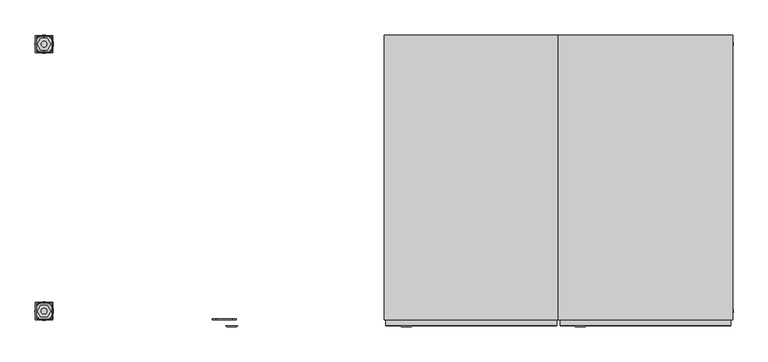
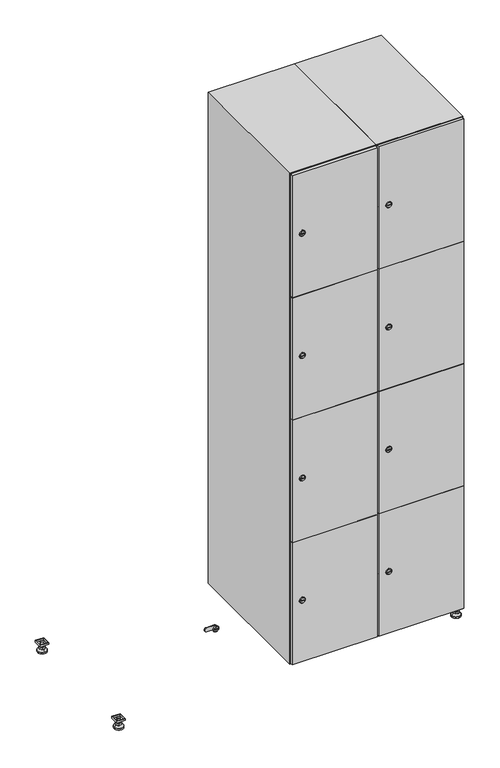
"""IFC4 building model written with IfcOpenShell, lengths in millimetres: furniture geometry."""

from ifc_helpers import new_model, si_unit, point, frame, frame_2d, origin, origin_with_axes, place, context, project, spatial, polyline, circle_curve, trimmed, segment, composite_curve, outline, extrude, faceted_brep, source, transform, mapped, element, save
from ifc_brep_helpers import plane_surface, revolved_surface, advanced_brep


def furniture_5d70b551(model_context):
    return source(origin(), model_context, "Body", "SolidModel", [
        extrude(outline(polyline([(1000.0, 245.0), (1000.0, 215.0), (970.0, 215.0), (970.0, 245.0), (1000.0, 245.0)]), holes=[polyline([(998.0, 243.0), (972.0, 243.0), (972.0, 217.0), (998.0, 217.0), (998.0, 243.0)])]), frame((0.0, 0.0, 28.5), z_axis=(0.0, 0.0, 1.0), x_axis=(1.0, 0.0, 0.0)), (0.0, 0.0, 1.0), 6.5),
        extrude(outline(polyline([(970.0, -245.0), (970.0, -215.0), (1000.0, -215.0), (1000.0, -245.0), (970.0, -245.0)]), holes=[polyline([(972.0, -243.0), (998.0, -243.0), (998.0, -217.0), (972.0, -217.0), (972.0, -243.0)])]), frame((0.0, 0.0, 28.5), z_axis=(0.0, 0.0, 1.0), x_axis=(1.0, 0.0, 0.0)), (0.0, 0.0, 1.0), 6.5),
        extrude(outline(polyline([(-170.0, 245.0), (-170.0, 215.0), (-200.0, 215.0), (-200.0, 245.0), (-170.0, 245.0)]), holes=[polyline([(-172.0, 243.0), (-198.0, 243.0), (-198.0, 217.0), (-172.0, 217.0), (-172.0, 243.0)])]), frame((0.0, 0.0, 28.5), z_axis=(0.0, 0.0, 1.0), x_axis=(1.0, 0.0, 0.0)), (0.0, 0.0, 1.0), 6.5),
        extrude(outline(polyline([(-170.0, -215.0), (-170.0, -245.0), (-200.0, -245.0), (-200.0, -215.0), (-170.0, -215.0)]), holes=[polyline([(-198.0, -243.0), (-172.0, -243.0), (-172.0, -217.0), (-198.0, -217.0), (-198.0, -243.0)])]), frame((0.0, 0.0, 28.5), z_axis=(0.0, 0.0, 1.0), x_axis=(1.0, 0.0, 0.0)), (0.0, 0.0, 1.0), 6.5),
        extrude(outline(composite_curve([segment(trimmed(circle_curve(frame_2d((-185.0, 230.0)), 5.0), [point((-180.0, 230.0))], [point((-190.0, 230.0))], False, "CARTESIAN"), True, "CONTINUOUS"), segment(trimmed(circle_curve(frame_2d((-185.0, 230.0)), 5.0), [point((-190.0, 230.0))], [point((-180.0, 230.0))], False, "CARTESIAN"), True, "CONTINUOUS")], self_intersect=False)), frame((0.0, 0.0, 19.6), z_axis=(0.0, 0.0, 1.0), x_axis=(1.0, 0.0, 0.0)), (0.0, 0.0, 1.0), 15.4),
        extrude(outline(composite_curve([segment(trimmed(circle_curve(frame_2d((-185.0, -230.0)), 5.0), [point((-180.0, -230.0))], [point((-190.0, -230.0))], False, "CARTESIAN"), True, "CONTINUOUS"), segment(trimmed(circle_curve(frame_2d((-185.0, -230.0)), 5.0), [point((-190.0, -230.0))], [point((-180.0, -230.0))], False, "CARTESIAN"), True, "CONTINUOUS")], self_intersect=False)), frame((0.0, 0.0, 19.6), z_axis=(0.0, 0.0, 1.0), x_axis=(1.0, 0.0, 0.0)), (0.0, 0.0, 1.0), 15.4),
        extrude(outline(composite_curve([segment(trimmed(circle_curve(frame_2d((985.0, 230.0)), 5.0), [point((990.0, 230.0))], [point((980.0, 230.0))], False, "CARTESIAN"), True, "CONTINUOUS"), segment(trimmed(circle_curve(frame_2d((985.0, 230.0)), 5.0), [point((980.0, 230.0))], [point((990.0, 230.0))], False, "CARTESIAN"), True, "CONTINUOUS")], self_intersect=False)), frame((0.0, 0.0, 19.6), z_axis=(0.0, 0.0, 1.0), x_axis=(1.0, 0.0, 0.0)), (0.0, 0.0, 1.0), 15.4),
        extrude(outline(polyline([(973.4529946, 230.0), (979.2264973, 240.0), (990.7735027, 240.0), (996.5470054, 230.0), (990.7735027, 220.0), (979.2264973, 220.0), (973.4529946, 230.0)])), frame((0.0, 0.0, 13.6), z_axis=(0.0, 0.0, 1.0), x_axis=(1.0, 0.0, 0.0)), (0.0, 0.0, 1.0), 6.0),
        extrude(outline(composite_curve([segment(trimmed(circle_curve(frame_2d((985.0, -230.0)), 5.0), [point((990.0, -230.0))], [point((980.0, -230.0))], False, "CARTESIAN"), True, "CONTINUOUS"), segment(trimmed(circle_curve(frame_2d((985.0, -230.0)), 5.0), [point((980.0, -230.0))], [point((990.0, -230.0))], False, "CARTESIAN"), True, "CONTINUOUS")], self_intersect=False)), frame((0.0, 0.0, 19.6), z_axis=(0.0, 0.0, 1.0), x_axis=(1.0, 0.0, 0.0)), (0.0, 0.0, 1.0), 15.4),
        extrude(outline(polyline([(973.4529946, -230.0), (979.2264973, -220.0), (990.7735027, -220.0), (996.5470054, -230.0), (990.7735027, -240.0), (979.2264973, -240.0), (973.4529946, -230.0)])), frame((0.0, 0.0, 13.6), z_axis=(0.0, 0.0, 1.0), x_axis=(1.0, 0.0, 0.0)), (0.0, 0.0, 1.0), 6.0),
        extrude(outline(composite_curve([segment(trimmed(circle_curve(frame_2d((985.0, 230.0)), 5.0), [point((990.0, 230.0))], [point((980.0, 230.0))], False, "CARTESIAN"), True, "CONTINUOUS"), segment(trimmed(circle_curve(frame_2d((985.0, 230.0)), 5.0), [point((980.0, 230.0))], [point((990.0, 230.0))], False, "CARTESIAN"), True, "CONTINUOUS")], self_intersect=False)), frame((0.0, 0.0, 12.1), z_axis=(0.0, 0.0, 1.0), x_axis=(1.0, 0.0, 0.0)), (0.0, 0.0, 1.0), 1.5),
        extrude(outline(composite_curve([segment(trimmed(circle_curve(frame_2d((985.0, -230.0)), 5.0), [point((990.0, -230.0))], [point((980.0, -230.0))], False, "CARTESIAN"), True, "CONTINUOUS"), segment(trimmed(circle_curve(frame_2d((985.0, -230.0)), 5.0), [point((980.0, -230.0))], [point((990.0, -230.0))], False, "CARTESIAN"), True, "CONTINUOUS")], self_intersect=False)), frame((0.0, 0.0, 12.1), z_axis=(0.0, 0.0, 1.0), x_axis=(1.0, 0.0, 0.0)), (0.0, 0.0, 1.0), 1.5),
        extrude(outline(polyline([(-196.5470054, 230.0), (-190.7735027, 240.0), (-179.2264973, 240.0), (-173.4529946, 230.0), (-179.2264973, 220.0), (-190.7735027, 220.0), (-196.5470054, 230.0)])), frame((0.0, 0.0, 13.6), z_axis=(0.0, 0.0, 1.0), x_axis=(1.0, 0.0, 0.0)), (0.0, 0.0, 1.0), 6.0),
        extrude(outline(polyline([(-196.5470054, -230.0), (-190.7735027, -220.0), (-179.2264973, -220.0), (-173.4529946, -230.0), (-179.2264973, -240.0), (-190.7735027, -240.0), (-196.5470054, -230.0)])), frame((0.0, 0.0, 13.6), z_axis=(0.0, 0.0, 1.0), x_axis=(1.0, 0.0, 0.0)), (0.0, 0.0, 1.0), 6.0),
        extrude(outline(composite_curve([segment(trimmed(circle_curve(frame_2d((-185.0, 230.0)), 5.0), [point((-185.0, 235.0))], [point((-185.0, 225.0))], False, "CARTESIAN"), True, "CONTINUOUS"), segment(trimmed(circle_curve(frame_2d((-185.0, 230.0)), 5.0), [point((-185.0, 225.0))], [point((-185.0, 235.0))], False, "CARTESIAN"), True, "CONTINUOUS")], self_intersect=False)), frame((0.0, 0.0, 12.1), z_axis=(0.0, 0.0, 1.0), x_axis=(1.0, 0.0, 0.0)), (0.0, 0.0, 1.0), 1.5),
        extrude(outline(composite_curve([segment(trimmed(circle_curve(frame_2d((-185.0, -230.0)), 5.0), [point((-180.0, -230.0))], [point((-190.0, -230.0))], False, "CARTESIAN"), True, "CONTINUOUS"), segment(trimmed(circle_curve(frame_2d((-185.0, -230.0)), 5.0), [point((-190.0, -230.0))], [point((-180.0, -230.0))], False, "CARTESIAN"), True, "CONTINUOUS")], self_intersect=False)), frame((0.0, 0.0, 12.1), z_axis=(0.0, 0.0, 1.0), x_axis=(1.0, 0.0, 0.0)), (0.0, 0.0, 1.0), 1.5),
        extrude(outline(composite_curve([segment(trimmed(circle_curve(frame_2d((985.0, 230.0)), 15.75), [point((1000.75, 230.0))], [point((969.25, 230.0))], False, "CARTESIAN"), True, "CONTINUOUS"), segment(trimmed(circle_curve(frame_2d((985.0, 230.0)), 15.75), [point((969.25, 230.0))], [point((1000.75, 230.0))], False, "CARTESIAN"), True, "CONTINUOUS")], self_intersect=False)), origin_with_axes(), (0.0, 0.0, 1.0), 5.1),
        extrude(outline(composite_curve([segment(trimmed(circle_curve(frame_2d((985.0, -230.0)), 15.75), [point((985.0, -214.25))], [point((985.0, -245.75))], False, "CARTESIAN"), True, "CONTINUOUS"), segment(trimmed(circle_curve(frame_2d((985.0, -230.0)), 15.75), [point((985.0, -245.75))], [point((985.0, -214.25))], False, "CARTESIAN"), True, "CONTINUOUS")], self_intersect=False)), origin_with_axes(), (0.0, 0.0, 1.0), 5.1),
        extrude(outline(composite_curve([segment(trimmed(circle_curve(frame_2d((-185.0, -230.0)), 15.75), [point((-169.25, -230.0))], [point((-200.75, -230.0))], False, "CARTESIAN"), True, "CONTINUOUS"), segment(trimmed(circle_curve(frame_2d((-185.0, -230.0)), 15.75), [point((-200.75, -230.0))], [point((-169.25, -230.0))], False, "CARTESIAN"), True, "CONTINUOUS")], self_intersect=False)), origin_with_axes(), (0.0, 0.0, 1.0), 5.1),
        extrude(outline(composite_curve([segment(trimmed(circle_curve(frame_2d((-185.0, 230.0)), 15.75), [point((-169.25, 230.0))], [point((-200.75, 230.0))], False, "CARTESIAN"), True, "CONTINUOUS"), segment(trimmed(circle_curve(frame_2d((-185.0, 230.0)), 15.75), [point((-200.75, 230.0))], [point((-169.25, 230.0))], False, "CARTESIAN"), True, "CONTINUOUS")], self_intersect=False)), origin_with_axes(), (0.0, 0.0, 1.0), 5.1),
        advanced_brep(
        [(-185.0, 239.5, 12.1), (-185.0, 220.5, 12.1), (-185.0, 214.25, 5.1), (-185.0, 245.75, 5.1)],
        [
            (0, 1, circle_curve(frame((-185.0, 230.0, 12.1), z_axis=(0.0, 0.0, -1.0), x_axis=(0.0, 1.0, 0.0)), 9.5)),
            (1, 2),
            (2, 3, circle_curve(frame((-185.0, 230.0, 5.1), z_axis=(0.0, 0.0, 1.0), x_axis=(0.0, 1.0, 0.0)), 15.75)),
            (3, 0),
            (1, 0, circle_curve(frame((-185.0, 230.0, 12.1), z_axis=(0.0, 0.0, -1.0), x_axis=(0.0, -1.0, 0.0)), 9.5)),
            (3, 2, circle_curve(frame((-185.0, 230.0, 5.1), z_axis=(0.0, 0.0, 1.0), x_axis=(0.0, -1.0, 0.0)), 15.75)),
        ],
        [
            revolved_surface(polyline([(-185.0, 220.5, 12.099999999999998), (-185.0, 214.25, 5.099999999999998)]), (-185.0, 230.0, 22.74), (0.0, 0.0, -1.0)),
            revolved_surface(polyline([(-185.0, 239.5, 12.099999999999998), (-185.0, 245.75, 5.099999999999998)]), (-185.0, 230.0, 22.74), (0.0, 0.0, -1.0)),
            plane_surface(frame((-185.0, 230.0, 5.1), z_axis=(0.0, 0.0, -1.0), x_axis=(1.0, 0.0, 0.0))),
            plane_surface(frame((-185.0, 230.0, 12.1), z_axis=(0.0, 0.0, 1.0), x_axis=(1.0, 0.0, 0.0))),
        ],
        [
            (0, [[1, 2, 3, 4]]),
            (1, [[5, -4, 6, -2]]),
            (2, [[-3, -6]]),
            (3, [[-5, -1]]),
        ],
    ),
        advanced_brep(
        [(985.0, 239.5, 12.1), (985.0, 220.5, 12.1), (985.0, 214.25, 5.1), (985.0, 245.75, 5.1)],
        [
            (0, 1, circle_curve(frame((985.0, 230.0, 12.1), z_axis=(0.0, 0.0, -1.0), x_axis=(0.0, 1.0, 0.0)), 9.5)),
            (1, 2),
            (2, 3, circle_curve(frame((985.0, 230.0, 5.1), z_axis=(0.0, 0.0, 1.0), x_axis=(0.0, 1.0, 0.0)), 15.75)),
            (3, 0),
            (1, 0, circle_curve(frame((985.0, 230.0, 12.1), z_axis=(0.0, 0.0, -1.0), x_axis=(0.0, -1.0, 0.0)), 9.5)),
            (3, 2, circle_curve(frame((985.0, 230.0, 5.1), z_axis=(0.0, 0.0, 1.0), x_axis=(0.0, -1.0, 0.0)), 15.75)),
        ],
        [
            revolved_surface(polyline([(985.0, 220.5, 12.099999999999998), (985.0, 214.25, 5.099999999999998)]), (985.0, 230.0, 22.74), (0.0, 0.0, -1.0)),
            revolved_surface(polyline([(985.0, 239.5, 12.099999999999998), (985.0, 245.75, 5.099999999999998)]), (985.0, 230.0, 22.74), (0.0, 0.0, -1.0)),
            plane_surface(frame((985.0, 230.0, 5.1), z_axis=(0.0, 0.0, -1.0), x_axis=(1.0, 0.0, 0.0))),
            plane_surface(frame((985.0, 230.0, 12.1), z_axis=(0.0, 0.0, 1.0), x_axis=(1.0, 0.0, 0.0))),
        ],
        [
            (0, [[1, 2, 3, 4]]),
            (1, [[5, -4, 6, -2]]),
            (2, [[-3, -6]]),
            (3, [[-5, -1]]),
        ],
    ),
        advanced_brep(
        [(1000.75, -230.0, 5.1), (969.25, -230.0, 5.1), (975.5, -230.0, 12.1), (994.5, -230.0, 12.1)],
        [
            (0, 1, circle_curve(frame((985.0, -230.0, 5.1), z_axis=(0.0, 0.0, 1.0), x_axis=(1.0, 0.0, 0.0)), 15.75)),
            (1, 2),
            (2, 3, circle_curve(frame((985.0, -230.0, 12.1), z_axis=(0.0, 0.0, -1.0), x_axis=(1.0, 0.0, 0.0)), 9.5)),
            (3, 0),
            (1, 0, circle_curve(frame((985.0, -230.0, 5.1), z_axis=(0.0, 0.0, 1.0), x_axis=(-1.0, 0.0, 0.0)), 15.75)),
            (3, 2, circle_curve(frame((985.0, -230.0, 12.1), z_axis=(0.0, 0.0, -1.0), x_axis=(-1.0, 0.0, 0.0)), 9.5)),
        ],
        [
            revolved_surface(polyline([(994.5, -230.0, 12.099999999999998), (1000.75, -230.0, 5.099999999999998)]), (985.0, -230.0, 22.74), (0.0, 0.0, -1.0)),
            revolved_surface(polyline([(975.5, -230.0, 12.099999999999998), (969.25, -230.0, 5.099999999999998)]), (985.0, -230.0, 22.74), (0.0, 0.0, -1.0)),
            plane_surface(frame((985.0, -230.0, 12.1), z_axis=(0.0, 0.0, 1.0), x_axis=(0.0, 1.0, 0.0))),
            plane_surface(frame((985.0, -230.0, 5.1), z_axis=(0.0, 0.0, -1.0), x_axis=(0.0, 1.0, 0.0))),
        ],
        [
            (0, [[1, 2, 3, 4]]),
            (1, [[5, -4, 6, -2]]),
            (2, [[-3, -6]]),
            (3, [[-5, -1]]),
        ],
    ),
        advanced_brep(
        [(-169.25, -230.0, 5.1), (-200.75, -230.0, 5.1), (-194.5, -230.0, 12.1), (-175.5, -230.0, 12.1)],
        [
            (0, 1, circle_curve(frame((-185.0, -230.0, 5.1), z_axis=(0.0, 0.0, 1.0), x_axis=(1.0, 0.0, 0.0)), 15.75)),
            (1, 2),
            (2, 3, circle_curve(frame((-185.0, -230.0, 12.1), z_axis=(0.0, 0.0, -1.0), x_axis=(1.0, 0.0, 0.0)), 9.5)),
            (3, 0),
            (1, 0, circle_curve(frame((-185.0, -230.0, 5.1), z_axis=(0.0, 0.0, 1.0), x_axis=(-1.0, 0.0, 0.0)), 15.75)),
            (3, 2, circle_curve(frame((-185.0, -230.0, 12.1), z_axis=(0.0, 0.0, -1.0), x_axis=(-1.0, 0.0, 0.0)), 9.5)),
        ],
        [
            revolved_surface(polyline([(-175.5, -230.0, 12.099999999999998), (-169.25, -230.0, 5.099999999999998)]), (-185.0, -230.0, 22.74), (0.0, 0.0, -1.0)),
            revolved_surface(polyline([(-194.5, -230.0, 12.099999999999998), (-200.75, -230.0, 5.099999999999998)]), (-185.0, -230.0, 22.74), (0.0, 0.0, -1.0)),
            plane_surface(frame((-185.0, -230.0, 12.1), z_axis=(0.0, 0.0, 1.0), x_axis=(0.0, 1.0, 0.0))),
            plane_surface(frame((-185.0, -230.0, 5.1), z_axis=(0.0, 0.0, -1.0), x_axis=(0.0, 1.0, 0.0))),
        ],
        [
            (0, [[1, 2, 3, 4]]),
            (1, [[5, -4, 6, -2]]),
            (2, [[-3, -6]]),
            (3, [[-5, -1]]),
        ],
    ),
        extrude(outline(composite_curve([segment(trimmed(circle_curve(frame_2d((262.25, 711.2010534)), 7.0), [point((269.25, 711.2010534))], [point((255.25, 711.2010534))], False, "CARTESIAN"), True, "CONTINUOUS"), segment(polyline([(255.25, 711.2010534), (255.25, 739.2010534)]), True, "CONTINUOUS"), segment(trimmed(circle_curve(frame_2d((262.25, 739.2010534)), 7.0), [point((255.25, 739.2010534))], [point((269.25, 739.2010534))], False, "CARTESIAN"), True, "CONTINUOUS"), segment(polyline([(269.25, 739.2010534), (269.25, 711.2010534)]), True, "CONTINUOUS")], self_intersect=False)), frame((0.0, -245.0, 0.0), z_axis=(0.0, 1.0, 0.0), x_axis=(0.0, 0.0, 1.0)), (0.0, 0.0, 1.0), 2.0),
        advanced_brep(
        [(746.5, -257.2, 262.25), (729.5, -257.2, 262.25), (733.0, -257.2, 261.0), (733.0, -257.2, 263.5), (743.0, -257.2, 263.5), (743.0, -257.2, 261.0), (748.5, -255.0, 262.25), (727.5, -255.0, 262.25), (733.0, -255.0, 263.5), (733.0, -255.0, 261.0), (743.0, -255.0, 261.0), (743.0, -255.0, 263.5)],
        [
            (0, 1, circle_curve(frame((738.0, -257.2, 262.25), z_axis=(0.0, -1.0, 0.0), x_axis=(1.0, 0.0, 0.0)), 8.5)),
            (1, 0, circle_curve(frame((738.0, -257.2, 262.25), z_axis=(0.0, -1.0, 0.0), x_axis=(-1.0, 0.0, 0.0)), 8.5)),
            (2, 3),
            (3, 4),
            (4, 5),
            (5, 2),
            (6, 7, circle_curve(frame((738.0, -255.0, 262.25), z_axis=(0.0, 1.0, 0.0), x_axis=(-1.0, 0.0, 0.0)), 10.5)),
            (7, 6, circle_curve(frame((738.0, -255.0, 262.25), z_axis=(0.0, 1.0, 0.0), x_axis=(1.0, 0.0, 0.0)), 10.5)),
            (8, 9),
            (9, 10),
            (10, 11),
            (11, 8),
            (0, 6),
            (7, 1),
            (8, 3),
            (2, 9),
            (11, 4),
            (10, 5),
        ],
        [
            plane_surface(frame((738.0, -257.2, 262.25), z_axis=(0.0, -1.0, 0.0), x_axis=(0.0, 0.0, 1.0))),
            plane_surface(frame((738.0, -255.0, 262.25), z_axis=(0.0, 1.0, 0.0), x_axis=(0.0, 0.0, 1.0))),
            revolved_surface(polyline([(746.5, -257.2, 262.25), (748.5, -255.0, 262.25)]), (738.0, -266.55, 262.25), (0.0, 1.0, 0.0)),
            revolved_surface(polyline([(729.5, -257.2, 262.25), (727.5, -255.0, 262.25)]), (738.0, -266.55, 262.25), (0.0, 1.0, 0.0)),
            plane_surface(frame((733.0, -255.0, 261.0), z_axis=(1.0, 0.0, 0.0), x_axis=(0.0, -1.0, 0.0))),
            plane_surface(frame((733.0, -255.0, 263.5), z_axis=(0.0, 0.0, -1.0), x_axis=(0.0, -1.0, 0.0))),
            plane_surface(frame((743.0, -255.0, 263.5), z_axis=(-1.0, 0.0, 0.0), x_axis=(0.0, -1.0, 0.0))),
            plane_surface(frame((743.0, -255.0, 261.0), z_axis=(0.0, 0.0, 1.0), x_axis=(0.0, -1.0, 0.0))),
        ],
        [
            (0, [[1, 2], [3, 4, 5, 6]]),
            (1, [[7, 8], [9, 10, 11, 12]]),
            (2, [[-1, 13, -8, 14]]),
            (3, [[-2, -14, -7, -13]]),
            (4, [[15, -3, 16, -9]]),
            (5, [[-15, -12, 17, -4]]),
            (6, [[-17, -11, 18, -5]]),
            (7, [[-16, -6, -18, -10]]),
        ],
    ),
        extrude(outline(composite_curve([segment(trimmed(circle_curve(frame_2d((710.75, 711.2010534)), 7.0), [point((717.75, 711.2010534))], [point((703.75, 711.2010534))], False, "CARTESIAN"), True, "CONTINUOUS"), segment(polyline([(703.75, 711.2010534), (703.75, 739.2010534)]), True, "CONTINUOUS"), segment(trimmed(circle_curve(frame_2d((710.75, 739.2010534)), 7.0), [point((703.75, 739.2010534))], [point((717.75, 739.2010534))], False, "CARTESIAN"), True, "CONTINUOUS"), segment(polyline([(717.75, 739.2010534), (717.75, 711.2010534)]), True, "CONTINUOUS")], self_intersect=False)), frame((0.0, -245.0, 0.0), z_axis=(0.0, 1.0, 0.0), x_axis=(0.0, 0.0, 1.0)), (0.0, 0.0, 1.0), 2.0),
        advanced_brep(
        [(746.5, -257.2, 710.75), (729.5, -257.2, 710.75), (733.0, -257.2, 709.5), (733.0, -257.2, 712.0), (743.0, -257.2, 712.0), (743.0, -257.2, 709.5), (748.5, -255.0, 710.75), (727.5, -255.0, 710.75), (733.0, -255.0, 712.0), (733.0, -255.0, 709.5), (743.0, -255.0, 709.5), (743.0, -255.0, 712.0)],
        [
            (0, 1, circle_curve(frame((738.0, -257.2, 710.75), z_axis=(0.0, -1.0, 0.0), x_axis=(1.0, 0.0, 0.0)), 8.5)),
            (1, 0, circle_curve(frame((738.0, -257.2, 710.75), z_axis=(0.0, -1.0, 0.0), x_axis=(-1.0, 0.0, 0.0)), 8.5)),
            (2, 3),
            (3, 4),
            (4, 5),
            (5, 2),
            (6, 7, circle_curve(frame((738.0, -255.0, 710.75), z_axis=(0.0, 1.0, 0.0), x_axis=(-1.0, 0.0, 0.0)), 10.5)),
            (7, 6, circle_curve(frame((738.0, -255.0, 710.75), z_axis=(0.0, 1.0, 0.0), x_axis=(1.0, 0.0, 0.0)), 10.5)),
            (8, 9),
            (9, 10),
            (10, 11),
            (11, 8),
            (0, 6),
            (7, 1),
            (8, 3),
            (2, 9),
            (11, 4),
            (10, 5),
        ],
        [
            plane_surface(frame((738.0, -257.2, 710.75), z_axis=(0.0, -1.0, 0.0), x_axis=(0.0, 0.0, 1.0))),
            plane_surface(frame((738.0, -255.0, 710.75), z_axis=(0.0, 1.0, 0.0), x_axis=(0.0, 0.0, 1.0))),
            revolved_surface(polyline([(746.5, -257.2, 710.75), (748.5, -255.0, 710.75)]), (738.0, -266.55, 710.75), (0.0, 1.0, 0.0)),
            revolved_surface(polyline([(729.5, -257.2, 710.75), (727.5, -255.0, 710.75)]), (738.0, -266.55, 710.75), (0.0, 1.0, 0.0)),
            plane_surface(frame((733.0, -255.0, 709.5), z_axis=(1.0, 0.0, 0.0), x_axis=(0.0, -1.0, 0.0))),
            plane_surface(frame((733.0, -255.0, 712.0), z_axis=(0.0, 0.0, -1.0), x_axis=(0.0, -1.0, 0.0))),
            plane_surface(frame((743.0, -255.0, 712.0), z_axis=(-1.0, 0.0, 0.0), x_axis=(0.0, -1.0, 0.0))),
            plane_surface(frame((743.0, -255.0, 709.5), z_axis=(0.0, 0.0, 1.0), x_axis=(0.0, -1.0, 0.0))),
        ],
        [
            (0, [[1, 2], [3, 4, 5, 6]]),
            (1, [[7, 8], [9, 10, 11, 12]]),
            (2, [[-1, 13, -8, 14]]),
            (3, [[-2, -14, -7, -13]]),
            (4, [[15, -3, 16, -9]]),
            (5, [[-15, -12, 17, -4]]),
            (6, [[-17, -11, 18, -5]]),
            (7, [[-16, -6, -18, -10]]),
        ],
    ),
        extrude(outline(composite_curve([segment(trimmed(circle_curve(frame_2d((1159.25, 711.2010534)), 7.0), [point((1166.25, 711.2010534))], [point((1152.25, 711.2010534))], False, "CARTESIAN"), True, "CONTINUOUS"), segment(polyline([(1152.25, 711.2010534), (1152.25, 739.2010534)]), True, "CONTINUOUS"), segment(trimmed(circle_curve(frame_2d((1159.25, 739.2010534)), 7.0), [point((1152.25, 739.2010534))], [point((1166.25, 739.2010534))], False, "CARTESIAN"), True, "CONTINUOUS"), segment(polyline([(1166.25, 739.2010534), (1166.25, 711.2010534)]), True, "CONTINUOUS")], self_intersect=False)), frame((0.0, -245.0, 0.0), z_axis=(0.0, 1.0, 0.0), x_axis=(0.0, 0.0, 1.0)), (0.0, 0.0, 1.0), 2.0),
        advanced_brep(
        [(746.5, -257.2, 1159.25), (729.5, -257.2, 1159.25), (733.0, -257.2, 1158.0), (733.0, -257.2, 1160.5), (743.0, -257.2, 1160.5), (743.0, -257.2, 1158.0), (748.5, -255.0, 1159.25), (727.5, -255.0, 1159.25), (733.0, -255.0, 1160.5), (733.0, -255.0, 1158.0), (743.0, -255.0, 1158.0), (743.0, -255.0, 1160.5)],
        [
            (0, 1, circle_curve(frame((738.0, -257.2, 1159.25), z_axis=(0.0, -1.0, 0.0), x_axis=(1.0, 0.0, 0.0)), 8.5)),
            (1, 0, circle_curve(frame((738.0, -257.2, 1159.25), z_axis=(0.0, -1.0, 0.0), x_axis=(-1.0, 0.0, 0.0)), 8.5)),
            (2, 3),
            (3, 4),
            (4, 5),
            (5, 2),
            (6, 7, circle_curve(frame((738.0, -255.0, 1159.25), z_axis=(0.0, 1.0, 0.0), x_axis=(-1.0, 0.0, 0.0)), 10.5)),
            (7, 6, circle_curve(frame((738.0, -255.0, 1159.25), z_axis=(0.0, 1.0, 0.0), x_axis=(1.0, 0.0, 0.0)), 10.5)),
            (8, 9),
            (9, 10),
            (10, 11),
            (11, 8),
            (0, 6),
            (7, 1),
            (8, 3),
            (2, 9),
            (11, 4),
            (10, 5),
        ],
        [
            plane_surface(frame((738.0, -257.2, 1159.25), z_axis=(0.0, -1.0, 0.0), x_axis=(0.0, 0.0, 1.0))),
            plane_surface(frame((738.0, -255.0, 1159.25), z_axis=(0.0, 1.0, 0.0), x_axis=(0.0, 0.0, 1.0))),
            revolved_surface(polyline([(746.5, -257.2, 1159.25), (748.5, -255.0, 1159.25)]), (738.0, -266.55, 1159.25), (0.0, 1.0, 0.0)),
            revolved_surface(polyline([(729.5, -257.2, 1159.25), (727.5, -255.0, 1159.25)]), (738.0, -266.55, 1159.25), (0.0, 1.0, 0.0)),
            plane_surface(frame((733.0, -255.0, 1158.0), z_axis=(1.0, 0.0, 0.0), x_axis=(0.0, -1.0, 0.0))),
            plane_surface(frame((733.0, -255.0, 1160.5), z_axis=(0.0, 0.0, -1.0), x_axis=(0.0, -1.0, 0.0))),
            plane_surface(frame((743.0, -255.0, 1160.5), z_axis=(-1.0, 0.0, 0.0), x_axis=(0.0, -1.0, 0.0))),
            plane_surface(frame((743.0, -255.0, 1158.0), z_axis=(0.0, 0.0, 1.0), x_axis=(0.0, -1.0, 0.0))),
        ],
        [
            (0, [[1, 2], [3, 4, 5, 6]]),
            (1, [[7, 8], [9, 10, 11, 12]]),
            (2, [[-1, 13, -8, 14]]),
            (3, [[-2, -14, -7, -13]]),
            (4, [[15, -3, 16, -9]]),
            (5, [[-15, -12, 17, -4]]),
            (6, [[-17, -11, 18, -5]]),
            (7, [[-16, -6, -18, -10]]),
        ],
    ),
        extrude(outline(composite_curve([segment(trimmed(circle_curve(frame_2d((1607.75, 711.2010534)), 7.0), [point((1614.75, 711.2010534))], [point((1600.75, 711.2010534))], False, "CARTESIAN"), True, "CONTINUOUS"), segment(polyline([(1600.75, 711.2010534), (1600.75, 739.2010534)]), True, "CONTINUOUS"), segment(trimmed(circle_curve(frame_2d((1607.75, 739.2010534)), 7.0), [point((1600.75, 739.2010534))], [point((1614.75, 739.2010534))], False, "CARTESIAN"), True, "CONTINUOUS"), segment(polyline([(1614.75, 739.2010534), (1614.75, 711.2010534)]), True, "CONTINUOUS")], self_intersect=False)), frame((0.0, -245.0, 0.0), z_axis=(0.0, 1.0, 0.0), x_axis=(0.0, 0.0, 1.0)), (0.0, 0.0, 1.0), 2.0),
        advanced_brep(
        [(746.5, -257.2, 1607.75), (729.5, -257.2, 1607.75), (733.0, -257.2, 1606.5), (733.0, -257.2, 1609.0), (743.0, -257.2, 1609.0), (743.0, -257.2, 1606.5), (748.5, -255.0, 1607.75), (727.5, -255.0, 1607.75), (733.0, -255.0, 1609.0), (733.0, -255.0, 1606.5), (743.0, -255.0, 1606.5), (743.0, -255.0, 1609.0)],
        [
            (0, 1, circle_curve(frame((738.0, -257.2, 1607.75), z_axis=(0.0, -1.0, 0.0), x_axis=(1.0, 0.0, 0.0)), 8.5)),
            (1, 0, circle_curve(frame((738.0, -257.2, 1607.75), z_axis=(0.0, -1.0, 0.0), x_axis=(-1.0, 0.0, 0.0)), 8.5)),
            (2, 3),
            (3, 4),
            (4, 5),
            (5, 2),
            (6, 7, circle_curve(frame((738.0, -255.0, 1607.75), z_axis=(0.0, 1.0, 0.0), x_axis=(-1.0, 0.0, 0.0)), 10.5)),
            (7, 6, circle_curve(frame((738.0, -255.0, 1607.75), z_axis=(0.0, 1.0, 0.0), x_axis=(1.0, 0.0, 0.0)), 10.5)),
            (8, 9),
            (9, 10),
            (10, 11),
            (11, 8),
            (0, 6),
            (7, 1),
            (8, 3),
            (2, 9),
            (11, 4),
            (10, 5),
        ],
        [
            plane_surface(frame((738.0, -257.2, 1607.75), z_axis=(0.0, -1.0, 0.0), x_axis=(0.0, 0.0, 1.0))),
            plane_surface(frame((738.0, -255.0, 1607.75), z_axis=(0.0, 1.0, 0.0), x_axis=(0.0, 0.0, 1.0))),
            revolved_surface(polyline([(746.5, -257.2, 1607.75), (748.5, -255.0, 1607.75)]), (738.0, -266.55, 1607.75), (0.0, 1.0, 0.0)),
            revolved_surface(polyline([(729.5, -257.2, 1607.75), (727.5, -255.0, 1607.75)]), (738.0, -266.55, 1607.75), (0.0, 1.0, 0.0)),
            plane_surface(frame((733.0, -255.0, 1606.5), z_axis=(1.0, 0.0, 0.0), x_axis=(0.0, -1.0, 0.0))),
            plane_surface(frame((733.0, -255.0, 1609.0), z_axis=(0.0, 0.0, -1.0), x_axis=(0.0, -1.0, 0.0))),
            plane_surface(frame((743.0, -255.0, 1609.0), z_axis=(-1.0, 0.0, 0.0), x_axis=(0.0, -1.0, 0.0))),
            plane_surface(frame((743.0, -255.0, 1606.5), z_axis=(0.0, 0.0, 1.0), x_axis=(0.0, -1.0, 0.0))),
        ],
        [
            (0, [[1, 2], [3, 4, 5, 6]]),
            (1, [[7, 8], [9, 10, 11, 12]]),
            (2, [[-1, 13, -8, 14]]),
            (3, [[-2, -14, -7, -13]]),
            (4, [[15, -3, 16, -9]]),
            (5, [[-15, -12, 17, -4]]),
            (6, [[-17, -11, 18, -5]]),
            (7, [[-16, -6, -18, -10]]),
        ],
    ),
        extrude(outline(polyline([(997.0, -245.0), (997.0, -255.0), (703.0, -255.0), (703.0, -245.0), (997.0, -245.0)])), frame((0.0, 0.0, 486.0), z_axis=(0.0, 0.0, 1.0), x_axis=(1.0, 0.0, 0.0)), (0.0, 0.0, 1.0), 448.5),
        extrude(outline(polyline([(997.0, -245.0), (997.0, -255.0), (703.0, -255.0), (703.0, -245.0), (997.0, -245.0)])), frame((0.0, 0.0, 935.5), z_axis=(0.0, 0.0, 1.0), x_axis=(1.0, 0.0, 0.0)), (0.0, 0.0, 1.0), 447.5),
        extrude(outline(polyline([(703.0, -255.0), (703.0, -245.0), (997.0, -245.0), (997.0, -255.0), (703.0, -255.0)])), frame((0.0, 0.0, 1384.0), z_axis=(0.0, 0.0, 1.0), x_axis=(1.0, 0.0, 0.0)), (0.0, 0.0, 1.0), 448.0),
        extrude(outline(polyline([(997.0, -245.0), (997.0, -255.0), (703.0, -255.0), (703.0, -245.0), (997.0, -245.0)])), frame((0.0, 0.0, 38.0), z_axis=(0.0, 0.0, 1.0), x_axis=(1.0, 0.0, 0.0)), (0.0, 0.0, 1.0), 449.0),
        extrude(outline(polyline([(979.6, 242.0), (979.6, -235.0), (720.4, -235.0), (720.4, 242.0), (979.6, 242.0)])), frame((0.0, 0.0, 1359.7), z_axis=(0.0, 0.0, 1.0), x_axis=(1.0, 0.0, 0.0)), (0.0, 0.0, 1.0), 20.4),
        extrude(outline(polyline([(979.6, 242.0), (979.6, -235.0), (720.4, -235.0), (720.4, 242.0), (979.6, 242.0)])), frame((0.0, 0.0, 924.8), z_axis=(0.0, 0.0, 1.0), x_axis=(1.0, 0.0, 0.0)), (0.0, 0.0, 1.0), 20.4),
        extrude(outline(polyline([(979.6, 242.0), (979.6, -235.0), (720.4, -235.0), (720.4, 242.0), (979.6, 242.0)])), frame((0.0, 0.0, 489.9), z_axis=(0.0, 0.0, 1.0), x_axis=(1.0, 0.0, 0.0)), (0.0, 0.0, 1.0), 20.4),
        faceted_brep([(1000.0, -245.0, 35.0), (1000.0, -245.0, 1835.0), (700.0, -245.0, 1835.0), (700.0, -245.0, 35.0), (979.6, -245.0, 1804.8), (979.6, -245.0, 65.2), (720.4, -245.0, 65.2), (720.4, -245.0, 1804.8), (1000.0, 245.0, 35.0), (700.0, 245.0, 35.0), (1000.0, 245.0, 1835.0), (700.0, 245.0, 1835.0), (979.6, 242.0, 1804.8), (979.6, 242.0, 65.2), (700.0, 245.0, 1804.8), (720.4, 242.0, 1804.8), (720.4, 242.0, 65.2)], [[[0, 1, 2, 3], [4, 5, 6, 7]], [[8, 0, 3, 9]], [[1, 0, 8, 10]], [[1, 10, 11, 2]], [[4, 12, 13, 5]], [[9, 3, 2, 11, 14]], [[10, 8, 9, 14, 11]], [[12, 15, 16, 13]], [[15, 7, 6, 16]], [[4, 7, 15, 12]], [[6, 5, 13, 16]]]),
        extrude(outline(composite_curve([segment(trimmed(circle_curve(frame_2d((262.25, 411.2010534)), 7.0), [point((269.25, 411.2010534))], [point((255.25, 411.2010534))], False, "CARTESIAN"), True, "CONTINUOUS"), segment(polyline([(255.25, 411.2010534), (255.25, 439.2010534)]), True, "CONTINUOUS"), segment(trimmed(circle_curve(frame_2d((262.25, 439.2010534)), 7.0), [point((255.25, 439.2010534))], [point((269.25, 439.2010534))], False, "CARTESIAN"), True, "CONTINUOUS"), segment(polyline([(269.25, 439.2010534), (269.25, 411.2010534)]), True, "CONTINUOUS")], self_intersect=False)), frame((0.0, -245.0, 0.0), z_axis=(0.0, 1.0, 0.0), x_axis=(0.0, 0.0, 1.0)), (0.0, 0.0, 1.0), 2.0),
        advanced_brep(
        [(446.5, -257.2, 262.25), (429.5, -257.2, 262.25), (433.0, -257.2, 261.0), (433.0, -257.2, 263.5), (443.0, -257.2, 263.5), (443.0, -257.2, 261.0), (448.5, -255.0, 262.25), (427.5, -255.0, 262.25), (433.0, -255.0, 263.5), (433.0, -255.0, 261.0), (443.0, -255.0, 261.0), (443.0, -255.0, 263.5)],
        [
            (0, 1, circle_curve(frame((438.0, -257.2, 262.25), z_axis=(0.0, -1.0, 0.0), x_axis=(1.0, 0.0, 0.0)), 8.5)),
            (1, 0, circle_curve(frame((438.0, -257.2, 262.25), z_axis=(0.0, -1.0, 0.0), x_axis=(-1.0, 0.0, 0.0)), 8.5)),
            (2, 3),
            (3, 4),
            (4, 5),
            (5, 2),
            (6, 7, circle_curve(frame((438.0, -255.0, 262.25), z_axis=(0.0, 1.0, 0.0), x_axis=(-1.0, 0.0, 0.0)), 10.5)),
            (7, 6, circle_curve(frame((438.0, -255.0, 262.25), z_axis=(0.0, 1.0, 0.0), x_axis=(1.0, 0.0, 0.0)), 10.5)),
            (8, 9),
            (9, 10),
            (10, 11),
            (11, 8),
            (0, 6),
            (7, 1),
            (8, 3),
            (2, 9),
            (11, 4),
            (10, 5),
        ],
        [
            plane_surface(frame((438.0, -257.2, 262.25), z_axis=(0.0, -1.0, 0.0), x_axis=(0.0, 0.0, 1.0))),
            plane_surface(frame((438.0, -255.0, 262.25), z_axis=(0.0, 1.0, 0.0), x_axis=(0.0, 0.0, 1.0))),
            revolved_surface(polyline([(446.5, -257.2, 262.25), (448.5, -255.0, 262.25)]), (438.0, -266.55, 262.25), (0.0, 1.0, 0.0)),
            revolved_surface(polyline([(429.5, -257.2, 262.25), (427.5, -255.0, 262.25)]), (438.0, -266.55, 262.25), (0.0, 1.0, 0.0)),
            plane_surface(frame((433.0, -255.0, 261.0), z_axis=(1.0, 0.0, 0.0), x_axis=(0.0, -1.0, 0.0))),
            plane_surface(frame((433.0, -255.0, 263.5), z_axis=(0.0, 0.0, -1.0), x_axis=(0.0, -1.0, 0.0))),
            plane_surface(frame((443.0, -255.0, 263.5), z_axis=(-1.0, 0.0, 0.0), x_axis=(0.0, -1.0, 0.0))),
            plane_surface(frame((443.0, -255.0, 261.0), z_axis=(0.0, 0.0, 1.0), x_axis=(0.0, -1.0, 0.0))),
        ],
        [
            (0, [[1, 2], [3, 4, 5, 6]]),
            (1, [[7, 8], [9, 10, 11, 12]]),
            (2, [[-1, 13, -8, 14]]),
            (3, [[-2, -14, -7, -13]]),
            (4, [[15, -3, 16, -9]]),
            (5, [[-15, -12, 17, -4]]),
            (6, [[-17, -11, 18, -5]]),
            (7, [[-16, -6, -18, -10]]),
        ],
    ),
        extrude(outline(composite_curve([segment(trimmed(circle_curve(frame_2d((710.75, 411.2010534)), 7.0), [point((717.75, 411.2010534))], [point((703.75, 411.2010534))], False, "CARTESIAN"), True, "CONTINUOUS"), segment(polyline([(703.75, 411.2010534), (703.75, 439.2010534)]), True, "CONTINUOUS"), segment(trimmed(circle_curve(frame_2d((710.75, 439.2010534)), 7.0), [point((703.75, 439.2010534))], [point((717.75, 439.2010534))], False, "CARTESIAN"), True, "CONTINUOUS"), segment(polyline([(717.75, 439.2010534), (717.75, 411.2010534)]), True, "CONTINUOUS")], self_intersect=False)), frame((0.0, -245.0, 0.0), z_axis=(0.0, 1.0, 0.0), x_axis=(0.0, 0.0, 1.0)), (0.0, 0.0, 1.0), 2.0),
        advanced_brep(
        [(446.5, -257.2, 710.75), (429.5, -257.2, 710.75), (433.0, -257.2, 709.5), (433.0, -257.2, 712.0), (443.0, -257.2, 712.0), (443.0, -257.2, 709.5), (448.5, -255.0, 710.75), (427.5, -255.0, 710.75), (433.0, -255.0, 712.0), (433.0, -255.0, 709.5), (443.0, -255.0, 709.5), (443.0, -255.0, 712.0)],
        [
            (0, 1, circle_curve(frame((438.0, -257.2, 710.75), z_axis=(0.0, -1.0, 0.0), x_axis=(1.0, 0.0, 0.0)), 8.5)),
            (1, 0, circle_curve(frame((438.0, -257.2, 710.75), z_axis=(0.0, -1.0, 0.0), x_axis=(-1.0, 0.0, 0.0)), 8.5)),
            (2, 3),
            (3, 4),
            (4, 5),
            (5, 2),
            (6, 7, circle_curve(frame((438.0, -255.0, 710.75), z_axis=(0.0, 1.0, 0.0), x_axis=(-1.0, 0.0, 0.0)), 10.5)),
            (7, 6, circle_curve(frame((438.0, -255.0, 710.75), z_axis=(0.0, 1.0, 0.0), x_axis=(1.0, 0.0, 0.0)), 10.5)),
            (8, 9),
            (9, 10),
            (10, 11),
            (11, 8),
            (0, 6),
            (7, 1),
            (8, 3),
            (2, 9),
            (11, 4),
            (10, 5),
        ],
        [
            plane_surface(frame((438.0, -257.2, 710.75), z_axis=(0.0, -1.0, 0.0), x_axis=(0.0, 0.0, 1.0))),
            plane_surface(frame((438.0, -255.0, 710.75), z_axis=(0.0, 1.0, 0.0), x_axis=(0.0, 0.0, 1.0))),
            revolved_surface(polyline([(446.5, -257.2, 710.75), (448.5, -255.0, 710.75)]), (438.0, -266.55, 710.75), (0.0, 1.0, 0.0)),
            revolved_surface(polyline([(429.5, -257.2, 710.75), (427.5, -255.0, 710.75)]), (438.0, -266.55, 710.75), (0.0, 1.0, 0.0)),
            plane_surface(frame((433.0, -255.0, 709.5), z_axis=(1.0, 0.0, 0.0), x_axis=(0.0, -1.0, 0.0))),
            plane_surface(frame((433.0, -255.0, 712.0), z_axis=(0.0, 0.0, -1.0), x_axis=(0.0, -1.0, 0.0))),
            plane_surface(frame((443.0, -255.0, 712.0), z_axis=(-1.0, 0.0, 0.0), x_axis=(0.0, -1.0, 0.0))),
            plane_surface(frame((443.0, -255.0, 709.5), z_axis=(0.0, 0.0, 1.0), x_axis=(0.0, -1.0, 0.0))),
        ],
        [
            (0, [[1, 2], [3, 4, 5, 6]]),
            (1, [[7, 8], [9, 10, 11, 12]]),
            (2, [[-1, 13, -8, 14]]),
            (3, [[-2, -14, -7, -13]]),
            (4, [[15, -3, 16, -9]]),
            (5, [[-15, -12, 17, -4]]),
            (6, [[-17, -11, 18, -5]]),
            (7, [[-16, -6, -18, -10]]),
        ],
    ),
        extrude(outline(composite_curve([segment(trimmed(circle_curve(frame_2d((1159.25, 411.2010534)), 7.0), [point((1166.25, 411.2010534))], [point((1152.25, 411.2010534))], False, "CARTESIAN"), True, "CONTINUOUS"), segment(polyline([(1152.25, 411.2010534), (1152.25, 439.2010534)]), True, "CONTINUOUS"), segment(trimmed(circle_curve(frame_2d((1159.25, 439.2010534)), 7.0), [point((1152.25, 439.2010534))], [point((1166.25, 439.2010534))], False, "CARTESIAN"), True, "CONTINUOUS"), segment(polyline([(1166.25, 439.2010534), (1166.25, 411.2010534)]), True, "CONTINUOUS")], self_intersect=False)), frame((0.0, -245.0, 0.0), z_axis=(0.0, 1.0, 0.0), x_axis=(0.0, 0.0, 1.0)), (0.0, 0.0, 1.0), 2.0),
        advanced_brep(
        [(446.5, -257.2, 1159.25), (429.5, -257.2, 1159.25), (433.0, -257.2, 1158.0), (433.0, -257.2, 1160.5), (443.0, -257.2, 1160.5), (443.0, -257.2, 1158.0), (448.5, -255.0, 1159.25), (427.5, -255.0, 1159.25), (433.0, -255.0, 1160.5), (433.0, -255.0, 1158.0), (443.0, -255.0, 1158.0), (443.0, -255.0, 1160.5)],
        [
            (0, 1, circle_curve(frame((438.0, -257.2, 1159.25), z_axis=(0.0, -1.0, 0.0), x_axis=(1.0, 0.0, 0.0)), 8.5)),
            (1, 0, circle_curve(frame((438.0, -257.2, 1159.25), z_axis=(0.0, -1.0, 0.0), x_axis=(-1.0, 0.0, 0.0)), 8.5)),
            (2, 3),
            (3, 4),
            (4, 5),
            (5, 2),
            (6, 7, circle_curve(frame((438.0, -255.0, 1159.25), z_axis=(0.0, 1.0, 0.0), x_axis=(-1.0, 0.0, 0.0)), 10.5)),
            (7, 6, circle_curve(frame((438.0, -255.0, 1159.25), z_axis=(0.0, 1.0, 0.0), x_axis=(1.0, 0.0, 0.0)), 10.5)),
            (8, 9),
            (9, 10),
            (10, 11),
            (11, 8),
            (0, 6),
            (7, 1),
            (8, 3),
            (2, 9),
            (11, 4),
            (10, 5),
        ],
        [
            plane_surface(frame((438.0, -257.2, 1159.25), z_axis=(0.0, -1.0, 0.0), x_axis=(0.0, 0.0, 1.0))),
            plane_surface(frame((438.0, -255.0, 1159.25), z_axis=(0.0, 1.0, 0.0), x_axis=(0.0, 0.0, 1.0))),
            revolved_surface(polyline([(446.5, -257.2, 1159.25), (448.5, -255.0, 1159.25)]), (438.0, -266.55, 1159.25), (0.0, 1.0, 0.0)),
            revolved_surface(polyline([(429.5, -257.2, 1159.25), (427.5, -255.0, 1159.25)]), (438.0, -266.55, 1159.25), (0.0, 1.0, 0.0)),
            plane_surface(frame((433.0, -255.0, 1158.0), z_axis=(1.0, 0.0, 0.0), x_axis=(0.0, -1.0, 0.0))),
            plane_surface(frame((433.0, -255.0, 1160.5), z_axis=(0.0, 0.0, -1.0), x_axis=(0.0, -1.0, 0.0))),
            plane_surface(frame((443.0, -255.0, 1160.5), z_axis=(-1.0, 0.0, 0.0), x_axis=(0.0, -1.0, 0.0))),
            plane_surface(frame((443.0, -255.0, 1158.0), z_axis=(0.0, 0.0, 1.0), x_axis=(0.0, -1.0, 0.0))),
        ],
        [
            (0, [[1, 2], [3, 4, 5, 6]]),
            (1, [[7, 8], [9, 10, 11, 12]]),
            (2, [[-1, 13, -8, 14]]),
            (3, [[-2, -14, -7, -13]]),
            (4, [[15, -3, 16, -9]]),
            (5, [[-15, -12, 17, -4]]),
            (6, [[-17, -11, 18, -5]]),
            (7, [[-16, -6, -18, -10]]),
        ],
    ),
        extrude(outline(composite_curve([segment(trimmed(circle_curve(frame_2d((1607.75, 411.2010534)), 7.0), [point((1614.75, 411.2010534))], [point((1600.75, 411.2010534))], False, "CARTESIAN"), True, "CONTINUOUS"), segment(polyline([(1600.75, 411.2010534), (1600.75, 439.2010534)]), True, "CONTINUOUS"), segment(trimmed(circle_curve(frame_2d((1607.75, 439.2010534)), 7.0), [point((1600.75, 439.2010534))], [point((1614.75, 439.2010534))], False, "CARTESIAN"), True, "CONTINUOUS"), segment(polyline([(1614.75, 439.2010534), (1614.75, 411.2010534)]), True, "CONTINUOUS")], self_intersect=False)), frame((0.0, -245.0, 0.0), z_axis=(0.0, 1.0, 0.0), x_axis=(0.0, 0.0, 1.0)), (0.0, 0.0, 1.0), 2.0),
        advanced_brep(
        [(446.5, -257.2, 1607.75), (429.5, -257.2, 1607.75), (433.0, -257.2, 1606.5), (433.0, -257.2, 1609.0), (443.0, -257.2, 1609.0), (443.0, -257.2, 1606.5), (448.5, -255.0, 1607.75), (427.5, -255.0, 1607.75), (433.0, -255.0, 1609.0), (433.0, -255.0, 1606.5), (443.0, -255.0, 1606.5), (443.0, -255.0, 1609.0)],
        [
            (0, 1, circle_curve(frame((438.0, -257.2, 1607.75), z_axis=(0.0, -1.0, 0.0), x_axis=(1.0, 0.0, 0.0)), 8.5)),
            (1, 0, circle_curve(frame((438.0, -257.2, 1607.75), z_axis=(0.0, -1.0, 0.0), x_axis=(-1.0, 0.0, 0.0)), 8.5)),
            (2, 3),
            (3, 4),
            (4, 5),
            (5, 2),
            (6, 7, circle_curve(frame((438.0, -255.0, 1607.75), z_axis=(0.0, 1.0, 0.0), x_axis=(-1.0, 0.0, 0.0)), 10.5)),
            (7, 6, circle_curve(frame((438.0, -255.0, 1607.75), z_axis=(0.0, 1.0, 0.0), x_axis=(1.0, 0.0, 0.0)), 10.5)),
            (8, 9),
            (9, 10),
            (10, 11),
            (11, 8),
            (0, 6),
            (7, 1),
            (8, 3),
            (2, 9),
            (11, 4),
            (10, 5),
        ],
        [
            plane_surface(frame((438.0, -257.2, 1607.75), z_axis=(0.0, -1.0, 0.0), x_axis=(0.0, 0.0, 1.0))),
            plane_surface(frame((438.0, -255.0, 1607.75), z_axis=(0.0, 1.0, 0.0), x_axis=(0.0, 0.0, 1.0))),
            revolved_surface(polyline([(446.5, -257.2, 1607.75), (448.5, -255.0, 1607.75)]), (438.0, -266.55, 1607.75), (0.0, 1.0, 0.0)),
            revolved_surface(polyline([(429.5, -257.2, 1607.75), (427.5, -255.0, 1607.75)]), (438.0, -266.55, 1607.75), (0.0, 1.0, 0.0)),
            plane_surface(frame((433.0, -255.0, 1606.5), z_axis=(1.0, 0.0, 0.0), x_axis=(0.0, -1.0, 0.0))),
            plane_surface(frame((433.0, -255.0, 1609.0), z_axis=(0.0, 0.0, -1.0), x_axis=(0.0, -1.0, 0.0))),
            plane_surface(frame((443.0, -255.0, 1609.0), z_axis=(-1.0, 0.0, 0.0), x_axis=(0.0, -1.0, 0.0))),
            plane_surface(frame((443.0, -255.0, 1606.5), z_axis=(0.0, 0.0, 1.0), x_axis=(0.0, -1.0, 0.0))),
        ],
        [
            (0, [[1, 2], [3, 4, 5, 6]]),
            (1, [[7, 8], [9, 10, 11, 12]]),
            (2, [[-1, 13, -8, 14]]),
            (3, [[-2, -14, -7, -13]]),
            (4, [[15, -3, 16, -9]]),
            (5, [[-15, -12, 17, -4]]),
            (6, [[-17, -11, 18, -5]]),
            (7, [[-16, -6, -18, -10]]),
        ],
    ),
        extrude(outline(polyline([(697.0, -245.0), (697.0, -255.0), (403.0, -255.0), (403.0, -245.0), (697.0, -245.0)])), frame((0.0, 0.0, 486.0), z_axis=(0.0, 0.0, 1.0), x_axis=(1.0, 0.0, 0.0)), (0.0, 0.0, 1.0), 448.5),
        extrude(outline(polyline([(697.0, -245.0), (697.0, -255.0), (403.0, -255.0), (403.0, -245.0), (697.0, -245.0)])), frame((0.0, 0.0, 935.5), z_axis=(0.0, 0.0, 1.0), x_axis=(1.0, 0.0, 0.0)), (0.0, 0.0, 1.0), 447.5),
        extrude(outline(polyline([(403.0, -255.0), (403.0, -245.0), (697.0, -245.0), (697.0, -255.0), (403.0, -255.0)])), frame((0.0, 0.0, 1384.0), z_axis=(0.0, 0.0, 1.0), x_axis=(1.0, 0.0, 0.0)), (0.0, 0.0, 1.0), 448.0),
        extrude(outline(polyline([(697.0, -245.0), (697.0, -255.0), (403.0, -255.0), (403.0, -245.0), (697.0, -245.0)])), frame((0.0, 0.0, 38.0), z_axis=(0.0, 0.0, 1.0), x_axis=(1.0, 0.0, 0.0)), (0.0, 0.0, 1.0), 449.0),
        extrude(outline(polyline([(679.6, 242.0), (679.6, -235.0), (420.4, -235.0), (420.4, 242.0), (679.6, 242.0)])), frame((0.0, 0.0, 1359.7), z_axis=(0.0, 0.0, 1.0), x_axis=(1.0, 0.0, 0.0)), (0.0, 0.0, 1.0), 20.4),
        extrude(outline(polyline([(679.6, 242.0), (679.6, -235.0), (420.4, -235.0), (420.4, 242.0), (679.6, 242.0)])), frame((0.0, 0.0, 924.8), z_axis=(0.0, 0.0, 1.0), x_axis=(1.0, 0.0, 0.0)), (0.0, 0.0, 1.0), 20.4),
        extrude(outline(polyline([(679.6, 242.0), (679.6, -235.0), (420.4, -235.0), (420.4, 242.0), (679.6, 242.0)])), frame((0.0, 0.0, 489.9), z_axis=(0.0, 0.0, 1.0), x_axis=(1.0, 0.0, 0.0)), (0.0, 0.0, 1.0), 20.4),
        faceted_brep([(700.0, -245.0, 35.0), (700.0, -245.0, 1835.0), (400.0, -245.0, 1835.0), (400.0, -245.0, 35.0), (679.6, -245.0, 1804.8), (679.6, -245.0, 65.2), (420.4, -245.0, 65.2), (420.4, -245.0, 1804.8), (700.0, 245.0, 35.0), (400.0, 245.0, 35.0), (700.0, 245.0, 1835.0), (400.0, 245.0, 1835.0), (679.6, 242.0, 1804.8), (679.6, 242.0, 65.2), (400.0, 245.0, 1804.8), (420.4, 242.0, 1804.8), (420.4, 242.0, 65.2)], [[[0, 1, 2, 3], [4, 5, 6, 7]], [[8, 0, 3, 9]], [[1, 0, 8, 10]], [[1, 10, 11, 2]], [[4, 12, 13, 5]], [[9, 3, 2, 11, 14]], [[10, 8, 9, 14, 11]], [[12, 15, 16, 13]], [[15, 7, 6, 16]], [[4, 7, 15, 12]], [[6, 5, 13, 16]]]),
        extrude(outline(composite_curve([segment(trimmed(circle_curve(frame_2d((262.25, 111.2010534)), 7.0), [point((269.25, 111.2010534))], [point((255.25, 111.2010534))], False, "CARTESIAN"), True, "CONTINUOUS"), segment(polyline([(255.25, 111.2010534), (255.25, 139.2010534)]), True, "CONTINUOUS"), segment(trimmed(circle_curve(frame_2d((262.25, 139.2010534)), 7.0), [point((255.25, 139.2010534))], [point((269.25, 139.2010534))], False, "CARTESIAN"), True, "CONTINUOUS"), segment(polyline([(269.25, 139.2010534), (269.25, 111.2010534)]), True, "CONTINUOUS")], self_intersect=False)), frame((0.0, -245.0, 0.0), z_axis=(0.0, 1.0, 0.0), x_axis=(0.0, 0.0, 1.0)), (0.0, 0.0, 1.0), 2.0),
        advanced_brep(
        [(146.5, -257.2, 262.25), (129.5, -257.2, 262.25), (133.0, -257.2, 261.0), (133.0, -257.2, 263.5), (143.0, -257.2, 263.5), (143.0, -257.2, 261.0), (148.5, -255.0, 262.25), (127.5, -255.0, 262.25), (133.0, -255.0, 263.5), (133.0, -255.0, 261.0), (143.0, -255.0, 261.0), (143.0, -255.0, 263.5)],
        [
            (0, 1, circle_curve(frame((138.0, -257.2, 262.25), z_axis=(0.0, -1.0, 0.0), x_axis=(1.0, 0.0, 0.0)), 8.5)),
            (1, 0, circle_curve(frame((138.0, -257.2, 262.25), z_axis=(0.0, -1.0, 0.0), x_axis=(-1.0, 0.0, 0.0)), 8.5)),
            (2, 3),
            (3, 4),
            (4, 5),
            (5, 2),
            (6, 7, circle_curve(frame((138.0, -255.0, 262.25), z_axis=(0.0, 1.0, 0.0), x_axis=(-1.0, 0.0, 0.0)), 10.5)),
            (7, 6, circle_curve(frame((138.0, -255.0, 262.25), z_axis=(0.0, 1.0, 0.0), x_axis=(1.0, 0.0, 0.0)), 10.5)),
            (8, 9),
            (9, 10),
            (10, 11),
            (11, 8),
            (0, 6),
            (7, 1),
            (8, 3),
            (2, 9),
            (11, 4),
            (10, 5),
        ],
        [
            plane_surface(frame((138.0, -257.2, 262.25), z_axis=(0.0, -1.0, 0.0), x_axis=(0.0, 0.0, 1.0))),
            plane_surface(frame((138.0, -255.0, 262.25), z_axis=(0.0, 1.0, 0.0), x_axis=(0.0, 0.0, 1.0))),
            revolved_surface(polyline([(146.5, -257.2, 262.25), (148.5, -255.0, 262.25)]), (138.0, -266.55, 262.25), (0.0, 1.0, 0.0)),
            revolved_surface(polyline([(129.5, -257.2, 262.25), (127.5, -255.0, 262.25)]), (138.0, -266.55, 262.25), (0.0, 1.0, 0.0)),
            plane_surface(frame((133.0, -255.0, 261.0), z_axis=(1.0, 0.0, 0.0), x_axis=(0.0, -1.0, 0.0))),
            plane_surface(frame((133.0, -255.0, 263.5), z_axis=(0.0, 0.0, -1.0), x_axis=(0.0, -1.0, 0.0))),
            plane_surface(frame((143.0, -255.0, 263.5), z_axis=(-1.0, 0.0, 0.0), x_axis=(0.0, -1.0, 0.0))),
            plane_surface(frame((143.0, -255.0, 261.0), z_axis=(0.0, 0.0, 1.0), x_axis=(0.0, -1.0, 0.0))),
        ],
        [
            (0, [[1, 2], [3, 4, 5, 6]]),
            (1, [[7, 8], [9, 10, 11, 12]]),
            (2, [[-1, 13, -8, 14]]),
            (3, [[-2, -14, -7, -13]]),
            (4, [[15, -3, 16, -9]]),
            (5, [[-15, -12, 17, -4]]),
            (6, [[-17, -11, 18, -5]]),
            (7, [[-16, -6, -18, -10]]),
        ],
    ),
    ])


if __name__ == "__main__":
    model = new_model("IFC4")
    model_context = context("Model", 3, world=origin())
    ifc_project = project(units=[si_unit("LENGTHUNIT", "METRE", prefix="MILLI")], contexts=[model_context])
    site = spatial("IfcSite", under=ifc_project)
    building = spatial("IfcBuilding", under=site)
    placement = place(None, origin())
    furniture_shape = furniture_5d70b551(model_context)
    element("IfcFurniture", 1, at=placement, inside=building, context=model_context, shape_type="MappedRepresentation", body=[
        mapped(furniture_shape, transform((0.0, 0.0, 0.0), x_axis=(1.0, 0.0, 0.0), y_axis=(0.0, 1.0, 0.0), z_axis=(0.0, 0.0, 1.0))),
    ])
    save(model, "model.ifc")
